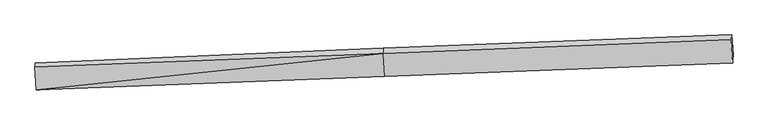
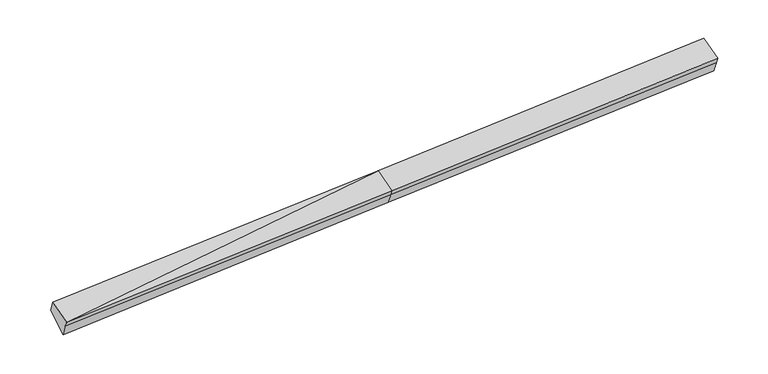
"""IFC4 building model written with IfcOpenShell, lengths in millimetres: proxy geometry."""

from ifc_helpers import new_model, si_unit, frame, origin, place, context, project, spatial, source, transform, mapped, element, save
from ifc_brep_helpers import plane_surface, spline_surface, advanced_brep


def generic_models_e82a4cd8(model_context):
    return source(origin(), model_context, "Body", "AdvancedBrep", [
        advanced_brep(
        [(-10593.6152286, -2367.0711962, 1576.0689153), (-10588.2191598, -2298.8611471, 1393.3224715), (-585.575695, -1907.3939875, 1834.0958417), (-590.9897867, -1975.8318583, 2017.4526591), (-10629.8589013, -1711.7938705, 1819.5807685), (-627.2334594, -1320.5545326, 2260.9645123), (-10620.2020024, -1589.723977, 1492.5345454), (-619.1298608, -1170.4013252, 1944.3545114), (-10578.214662, -2172.3973622, 1054.5042583), (-577.1425204, -1753.0747104, 1506.3242243), (9393.5760159, -780.5392744, 2385.5218346), (9384.1427095, -923.6418577, 2726.0801251), (9420.9041489, -1588.280288, 2479.0895311), (9426.5917657, -1516.3848711, 2286.4693535), (9435.5633564, -1363.2126596, 1947.4915475)],
        [
            (0, 1),
            (1, 2),
            (2, 3),
            (3, 0),
            (4, 0),
            (0, 5),
            (5, 4),
            (6, 4),
            (5, 7),
            (7, 6),
            (8, 6),
            (7, 9),
            (9, 8),
            (1, 8),
            (9, 2),
            (10, 11),
            (11, 12),
            (12, 13),
            (13, 14),
            (14, 10),
            (3, 5),
            (5, 11),
            (10, 7),
            (3, 12),
            (2, 13),
            (9, 14),
        ],
        [
            plane_surface(frame((-10590.9171942, -2332.9661716, 1484.6956934), z_axis=(0.05196462429443954, -0.9361031305000838, -0.34786578861664635), x_axis=(0.027652886086963997, 0.34955164330417543, -0.9365089249731751))),
            plane_surface(frame((-10611.7370649, -2039.4325333, 1697.8248419), z_axis=(-0.027652886086963147, -0.34955164330417887, 0.9365089249731738), x_axis=(0.05177667526240517, -0.9361104652483092, -0.3478740759978609))),
            spline_surface(1, 1, [[(-10620.2020024, -1589.723977, 1492.5345454), (-619.1298608, -1170.4013252, 1944.3545114)], [(-10629.8589013, -1711.7938705, 1819.5807685), (-627.2334594, -1320.5545326, 2260.9645123)]], [2, 2], [2, 2], [0.0, 1.0], [0.0, 1.0]),
            plane_surface(frame((-10599.2083322, -1881.0606696, 1273.5194018), z_axis=(0.010878157278540398, 0.6013649159961894, -0.7989004340361319), x_axis=(-0.057503863227183656, 0.798001738568549, 0.5999054350108212))),
            spline_surface(1, 1, [[(-10588.2191598, -2298.8611471, 1393.3224715), (-585.575695, -1907.3939875, 1834.0958417)], [(-10578.214662, -2172.3973622, 1054.5042583), (-577.1425204, -1753.0747104, 1506.3242243)]], [2, 2], [2, 2], [0.0, 1.0], [0.0, 1.0]),
            plane_surface(frame((9412.1555993, -1234.4117902, 2364.9304784), z_axis=(0.9982757603938068, 0.03886959629250514, 0.043984777983125396), x_axis=(-0.02552833006711003, -0.3872629396874491, 0.9216158201271395))),
            plane_surface(frame((-10605.4726986, -1960.2466015, 1485.6721219), z_axis=(-0.998275760393807, -0.03886959629250951, -0.043984777983110734), x_axis=(-0.027652886086946896, -0.3495516433041756, 0.9365089249731754))),
            plane_surface(frame((-10593.6152286, -2367.0711962, 1576.0689153), z_axis=(-0.02765288608696384, -0.34955164330417343, 0.9365089249731758), x_axis=(0.05177667526240596, -0.9361104652483112, -0.34787407599785547))),
            spline_surface(1, 1, [[(-619.1298608, -1170.4013252, 1944.3545114), (9393.5760159, -780.5392744, 2385.5218346)], [(-627.2334594, -1320.5545326, 2260.9645123), (9384.1427095, -923.6418577, 2726.0801251)]], [2, 2], [2, 2], [0.0, 1.0], [0.0, 1.0]),
            plane_surface(frame((-609.1116231, -1648.1931955, 2139.2085857), z_axis=(-0.029643406935779087, -0.3496284548972498, 0.9364193568863267), x_axis=(0.05177667526240576, -0.9361104652483145, -0.3478740759978466))),
            plane_surface(frame((-588.2827409, -1941.6129229, 1925.7742504), z_axis=(0.05227431371250495, -0.9360909722677259, -0.3478521061669028), x_axis=(0.02765288608696523, 0.3495516433041756, -0.936508924973175))),
            spline_surface(1, 1, [[(-585.575695, -1907.3939875, 1834.0958417), (9426.5917657, -1516.3848711, 2286.4693535)], [(-577.1425204, -1753.0747104, 1506.3242243), (9435.5633564, -1363.2126596, 1947.4915475)]], [2, 2], [2, 2], [0.0, 1.0], [0.0, 1.0]),
            plane_surface(frame((-598.1361906, -1461.7380178, 1725.3393679), z_axis=(0.011781847228537663, 0.6014003489570285, -0.7988609443139951), x_axis=(-0.0575038632271829, 0.7980017385685462, 0.599905435010825))),
        ],
        [
            (0, [[1, 2, 3, 4]]),
            (1, [[5, 6, 7]]),
            (2, [[8, -7, 9, 10]]),
            (3, [[11, -10, 12, 13]]),
            (4, [[14, -13, 15, -2]]),
            (5, [[16, 17, 18, 19, 20]]),
            (6, [[-1, -5, -8, -11, -14]]),
            (7, [[21, -6, -4]]),
            (8, [[-9, 22, -16, 23]]),
            (9, [[-21, 24, -17, -22]]),
            (10, [[-3, 25, -18, -24]]),
            (11, [[-15, 26, -19, -25]]),
            (12, [[-12, -23, -20, -26]]),
        ],
    ),
    ])


if __name__ == "__main__":
    model = new_model("IFC4")
    model_context = context("Model", 3, world=origin())
    ifc_project = project(units=[si_unit("LENGTHUNIT", "METRE", prefix="MILLI")], contexts=[model_context])
    site = spatial("IfcSite", under=ifc_project)
    building = spatial("IfcBuilding", under=site)
    placement = place(None, origin())
    generic_models_shape = generic_models_e82a4cd8(model_context)
    element("IfcBuildingElementProxy", 1, Name="Generic Models", at=placement, inside=building, context=model_context, shape_type="MappedRepresentation", body=[
        mapped(generic_models_shape, transform((0.0, 0.0, 0.0), x_axis=(1.0, 0.0, 0.0), y_axis=(0.0, 1.0, 0.0), z_axis=(0.0, 0.0, 1.0))),
    ])
    save(model, "model.ifc")
